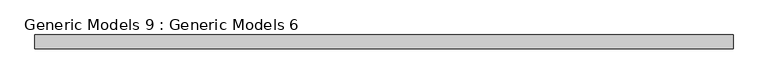
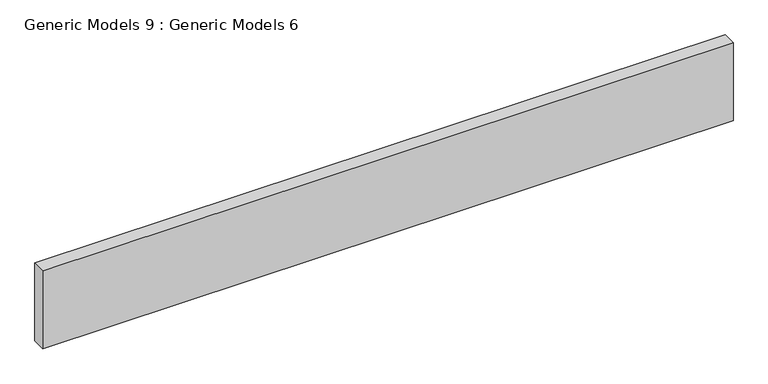
"""IFC4 building model written with IfcOpenShell, lengths in millimetres: proxy geometry, Generic Models 9 : Generic Models 6."""

from ifc_helpers import new_model, si_unit, frame, origin, place, context, project, spatial, polyline, outline, extrude, source, transform, mapped, element, save


def generic_models_9_generic_models_6_aab358ad(model_context):
    return source(origin(), model_context, "Body", "SweptSolid", [
        extrude(outline(polyline([(-9142.983103, -38752.5327609), (-9142.983103, -38727.1327609), (-7863.0481586, -38727.1327609), (-7863.0481586, -38752.5327609), (-9142.983103, -38752.5327609)])), frame((0.0, 0.0, 31648.4), z_axis=(0.0, 0.0, 1.0), x_axis=(1.0, 0.0, 0.0)), (0.0, 0.0, 1.0), 152.4),
    ])


if __name__ == "__main__":
    model = new_model("IFC4")
    model_context = context("Model", 3, world=origin())
    ifc_project = project(units=[si_unit("LENGTHUNIT", "METRE", prefix="MILLI")], contexts=[model_context])
    site = spatial("IfcSite", under=ifc_project)
    building = spatial("IfcBuilding", under=site)
    placement = place(None, origin())
    generic_models_9_generic_models_6_shape = generic_models_9_generic_models_6_aab358ad(model_context)
    element("IfcBuildingElementProxy", 1, Name="Generic Models 9 : Generic Models 6", ObjectType="Generic Models 9 : Generic Models 6", at=placement, inside=building, context=model_context, shape_type="MappedRepresentation", body=[
        mapped(generic_models_9_generic_models_6_shape, transform((0.0, 0.0, 0.0), x_axis=(1.0, 0.0, 0.0), y_axis=(0.0, 1.0, 0.0), z_axis=(0.0, 0.0, 1.0))),
    ])
    save(model, "model.ifc")
